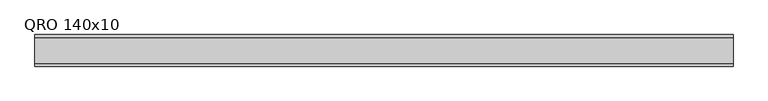
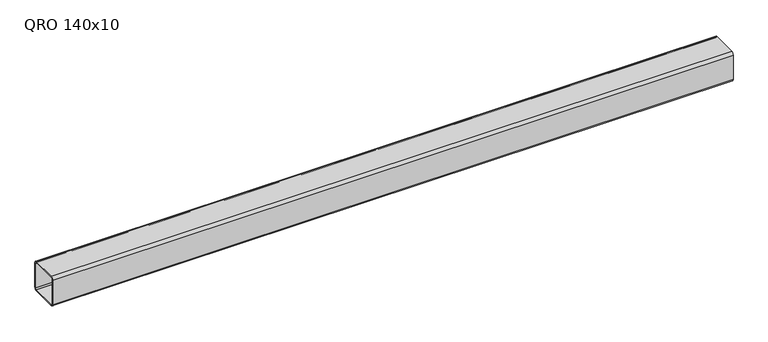
"""IFC4 building model written with IfcOpenShell, lengths in millimetres: beam geometry, QRO 140x10."""

import ifcopenshell
import ifcopenshell.guid

model = None  # the IFC model being written
_history = None  # IfcOwnerHistory: only IFC2X3 demands one
_inside = {}  # id of a spatial element -> (the spatial element, [elements in it])
_under = {}  # id of a project, library or spatial element -> (it, [spatial elements below it])
_declared = {}  # id of a project -> (the project, [libraries it declares])
_typed = {}  # id of a type object -> (the type object, [elements of that type])
_made_of = {}  # id of a material, layer set ... -> (it, [elements and type objects made of it])


def new_model(schema):
    """Start an empty IFC model of exactly this schema.

    Asked for "IFC4X3", IfcOpenShell would pick the latest addendum, in which some entities
    have other attributes; the version numbers below select the first issue.
    IFC2X3 requires an IfcOwnerHistory on every rooted entity: one is made here for all.
    """
    global model, _history
    if schema == "IFC4X3":
        model = ifcopenshell.file(schema_version=(4, 3, 0, 0))
    else:
        model = ifcopenshell.file(schema=schema)
    _inside.clear()
    _under.clear()
    _declared.clear()
    _typed.clear()
    _made_of.clear()
    _history = None
    if model.schema == "IFC2X3":
        org = make("IfcOrganization", Name="unknown")
        user = make(
            "IfcPersonAndOrganization",
            ThePerson=make("IfcPerson", FamilyName="unknown"),
            TheOrganization=org,
        )
        app = make(
            "IfcApplication",
            ApplicationDeveloper=org,
            Version="unknown",
            ApplicationFullName="unknown",
            ApplicationIdentifier="unknown",
        )
        _history = make(
            "IfcOwnerHistory",
            OwningUser=user,
            OwningApplication=app,
            ChangeAction="ADDED",
            CreationDate=0,
        )
    return model


def make(cls, **values):
    """One entity of the class cls with the attributes given. An attribute that is None is left unset."""
    return model.create_entity(
        cls, **{name: value for name, value in values.items() if value is not None}
    )


def rooted(cls, **values):
    """An entity with a GlobalId (a new one), such as an element, a storey or a relation."""
    return make(cls, GlobalId=ifcopenshell.guid.new(), OwnerHistory=_history, **values)


def si_unit(unit_type, name, prefix=None):
    """IfcSIUnit, for example si_unit("LENGTHUNIT", "METRE", prefix="MILLI")."""
    return make("IfcSIUnit", UnitType=unit_type, Prefix=prefix, Name=name)


def assignment(units):
    """IfcUnitAssignment: the units of a project."""
    return None if units is None else make("IfcUnitAssignment", Units=units)


def point(xyz):
    """IfcCartesianPoint."""
    return None if xyz is None else make("IfcCartesianPoint", Coordinates=xyz)


def direction(xyz):
    """IfcDirection."""
    return None if xyz is None else make("IfcDirection", DirectionRatios=xyz)


def frame(location, z_axis=None, x_axis=None):
    """IfcAxis2Placement3D, a coordinate frame: its origin and axes. An axis left out is left unset."""
    return make(
        "IfcAxis2Placement3D",
        Location=point(location),
        Axis=direction(z_axis),
        RefDirection=direction(x_axis),
    )


def frame_2d(location, x_axis=None):
    """IfcAxis2Placement2D, a coordinate frame in the plane: its origin and x axis."""
    return make(
        "IfcAxis2Placement2D", Location=point(location), RefDirection=direction(x_axis)
    )


def origin():
    """The frame at (0, 0, 0) with its axes left unset."""
    return frame((0.0, 0.0, 0.0))


def place(relative_to, where):
    """IfcLocalPlacement: puts the frame where relative to a parent placement (None: the world)."""
    return make(
        "IfcLocalPlacement", PlacementRelTo=relative_to, RelativePlacement=where
    )


def context(
    kind, dimensions, precision=None, world=None, true_north=None, identifier=None
):
    """IfcGeometricRepresentationContext, for example the 3D "Model" context."""
    return make(
        "IfcGeometricRepresentationContext",
        ContextIdentifier=identifier,
        ContextType=kind,
        CoordinateSpaceDimension=dimensions,
        Precision=precision,
        WorldCoordinateSystem=world,
        TrueNorth=true_north,
    )


def project(units=None, contexts=None):
    """IfcProject with its units and contexts."""
    return rooted(
        "IfcProject",
        Name="project",
        RepresentationContexts=contexts,
        UnitsInContext=assignment(units),
    )


def spatial(cls, under=None, at=None, **own):
    """A site, building, storey or space (cls), placed at a placement, below another one or the project."""
    s = rooted(cls, ObjectPlacement=at, **own)
    if under is not None:
        _under.setdefault(under.id(), (under, []))[1].append(s)
    return s


def polyline(points):
    """IfcPolyline through the points."""
    return make("IfcPolyline", Points=[point(p) for p in points])


def circle_curve(where, radius):
    """IfcCircle in the frame where."""
    return make("IfcCircle", Position=where, Radius=radius)


def trimmed(basis, trim1, trim2, sense, master):
    """IfcTrimmedCurve: the piece of a basis curve between two trims."""
    return make(
        "IfcTrimmedCurve",
        BasisCurve=basis,
        Trim1=trim1,
        Trim2=trim2,
        SenseAgreement=sense,
        MasterRepresentation=master,
    )


def segment(curve, same_sense, transition):
    """IfcCompositeCurveSegment."""
    return make(
        "IfcCompositeCurveSegment",
        Transition=transition,
        SameSense=same_sense,
        ParentCurve=curve,
    )


def composite_curve(segments, self_intersect=None):
    """IfcCompositeCurve: segments joined end to end."""
    return make("IfcCompositeCurve", Segments=segments, SelfIntersect=self_intersect)


def outline(outer, holes=None, kind="AREA"):
    """IfcArbitraryClosedProfileDef: a profile drawn as a closed curve; with holes, ...WithVoids."""
    if holes is None:
        return make("IfcArbitraryClosedProfileDef", ProfileType=kind, OuterCurve=outer)
    return make(
        "IfcArbitraryProfileDefWithVoids",
        ProfileType=kind,
        OuterCurve=outer,
        InnerCurves=holes,
    )


def extrude(swept, where, along, depth):
    """IfcExtrudedAreaSolid: the profile swept, set in the frame where, extruded along a direction by depth."""
    return make(
        "IfcExtrudedAreaSolid",
        SweptArea=swept,
        Position=where,
        ExtrudedDirection=direction(along),
        Depth=depth,
    )


def shape(context_of_items, identifier, shape_type, items):
    """IfcShapeRepresentation: the items that make up one representation, for example the "Body"."""
    return make(
        "IfcShapeRepresentation",
        ContextOfItems=context_of_items,
        RepresentationIdentifier=identifier,
        RepresentationType=shape_type,
        Items=items,
    )


def source(mapping_origin, context_of_items, identifier, shape_type, items):
    """IfcRepresentationMap: a shape defined once, which mapped items show again and again."""
    return make(
        "IfcRepresentationMap",
        MappingOrigin=mapping_origin,
        MappedRepresentation=shape(context_of_items, identifier, shape_type, items),
    )


def transform(
    local_origin,
    x_axis=None,
    y_axis=None,
    z_axis=None,
    scale=None,
    scale2=None,
    scale3=None,
    uniform=True,
):
    """IfcCartesianTransformationOperator3D, or its non-uniform kind. x_axis, y_axis, z_axis: its Axis1, 2, 3."""
    if uniform:
        return make(
            "IfcCartesianTransformationOperator3D",
            Axis1=direction(x_axis),
            Axis2=direction(y_axis),
            LocalOrigin=point(local_origin),
            Scale=scale,
            Axis3=direction(z_axis),
        )
    return make(
        "IfcCartesianTransformationOperator3DnonUniform",
        Axis1=direction(x_axis),
        Axis2=direction(y_axis),
        LocalOrigin=point(local_origin),
        Scale=scale,
        Axis3=direction(z_axis),
        Scale2=scale2,
        Scale3=scale3,
    )


def mapped(mapping_source, mapping_target):
    """IfcMappedItem: shows the shape of a source again, moved by a transform."""
    return make(
        "IfcMappedItem", MappingSource=mapping_source, MappingTarget=mapping_target
    )


def made_of(thing, what):
    """Note that an element or type object is made of a material, layer set ...; save() writes the relation."""
    if what is not None:
        _made_of.setdefault(what.id(), (what, []))[1].append(thing)
    return thing


def element(
    cls,
    number,
    at=None,
    inside=None,
    cuts=None,
    type_object=None,
    material=None,
    context=None,
    identifier="Body",
    shape_type=None,
    held_by="IfcProductDefinitionShape",
    body=None,
    shapes=None,
    **own,
):
    """One element of the class cls, such as IfcWall. Its Tag is "e" and its number.

    at: its placement. inside: the storey or other place that contains it. cuts: it is an
    opening in that element (IfcRelVoidsElement). A single representation is given by context,
    identifier, shape_type and body (its items); several are given by shapes. held_by: the class
    of the entity that holds the representations. save() writes the other relations.
    """
    e = rooted(cls, Tag="e%d" % number, ObjectPlacement=at, **own)
    if body is not None:
        shapes = [shape(context, identifier, shape_type, body)]
    if shapes is not None:
        e.Representation = make(held_by, Representations=shapes)
    if inside is not None:
        _inside.setdefault(inside.id(), (inside, []))[1].append(e)
    if cuts is not None:
        rooted(
            "IfcRelVoidsElement", RelatingBuildingElement=cuts, RelatedOpeningElement=e
        )
    if type_object is not None:
        _typed.setdefault(type_object.id(), (type_object, []))[1].append(e)
    return made_of(e, material)


def aggregate(whole, parts):
    """IfcRelAggregates: a whole, such as a stair, and the parts it consists of."""
    return rooted("IfcRelAggregates", RelatingObject=whole, RelatedObjects=parts)


def save(model, path):
    """Write the relations noted so far, then the file.

    IfcRelAggregates (storeys below a building ...), IfcRelContainedInSpatialStructure (elements
    in a storey), IfcRelDefinesByType, IfcRelAssociatesMaterial and IfcRelDeclares: one each for
    every whole, place, type object, material and project.
    """
    for whole, parts in _under.values():
        aggregate(whole, parts)
    for where, things in _inside.values():
        rooted(
            "IfcRelContainedInSpatialStructure",
            RelatedElements=things,
            RelatingStructure=where,
        )
    for kind, things in _typed.values():
        rooted("IfcRelDefinesByType", RelatedObjects=things, RelatingType=kind)
    for what, things in _made_of.values():
        rooted("IfcRelAssociatesMaterial", RelatedObjects=things, RelatingMaterial=what)
    for by, libraries in _declared.values():
        rooted("IfcRelDeclares", RelatingContext=by, RelatedDefinitions=libraries)
    model.write(path)


def qro_140x10_6534f039(model_context):
    return source(origin(), model_context, "Body", "SweptSolid", [
        extrude(outline(composite_curve([segment(polyline([(70.0, 58.0), (70.0, -58.0)]), True, "CONTINUOUS"), segment(trimmed(circle_curve(frame_2d((58.0, -58.0)), 12.0), [point((70.0, -58.0))], [point((58.0, -70.0))], False, "CARTESIAN"), True, "CONTINUOUS"), segment(polyline([(58.0, -70.0), (-58.0, -70.0)]), True, "CONTINUOUS"), segment(trimmed(circle_curve(frame_2d((-58.0, -58.0)), 12.0), [point((-58.0, -70.0))], [point((-70.0, -58.0))], False, "CARTESIAN"), True, "CONTINUOUS"), segment(polyline([(-70.0, -58.0), (-70.0, 58.0)]), True, "CONTINUOUS"), segment(trimmed(circle_curve(frame_2d((-58.0, 58.0)), 12.0), [point((-70.0, 58.0))], [point((-58.0, 70.0))], False, "CARTESIAN"), True, "CONTINUOUS"), segment(polyline([(-58.0, 70.0), (58.0, 70.0)]), True, "CONTINUOUS"), segment(trimmed(circle_curve(frame_2d((58.0, 58.0)), 12.0), [point((58.0, 70.0))], [point((70.0, 58.0))], False, "CARTESIAN"), True, "CONTINUOUS")], self_intersect=False), holes=[composite_curve([segment(trimmed(circle_curve(frame_2d((-58.0, 58.0)), 6.0), [point((-58.0, 64.0))], [point((-64.0, 58.0))], True, "CARTESIAN"), True, "CONTINUOUS"), segment(polyline([(-64.0, 58.0), (-64.0, -58.0)]), True, "CONTINUOUS"), segment(trimmed(circle_curve(frame_2d((-58.0, -58.0)), 6.0), [point((-64.0, -58.0))], [point((-58.0, -64.0))], True, "CARTESIAN"), True, "CONTINUOUS"), segment(polyline([(-58.0, -64.0), (58.0, -64.0)]), True, "CONTINUOUS"), segment(trimmed(circle_curve(frame_2d((58.0, -58.0)), 6.0), [point((58.0, -64.0))], [point((64.0, -58.0))], True, "CARTESIAN"), True, "CONTINUOUS"), segment(polyline([(64.0, -58.0), (64.0, 58.0)]), True, "CONTINUOUS"), segment(trimmed(circle_curve(frame_2d((58.0, 58.0)), 6.0), [point((64.0, 58.0))], [point((58.0, 64.0))], True, "CARTESIAN"), True, "CONTINUOUS"), segment(polyline([(58.0, 64.0), (-58.0, 64.0)]), True, "CONTINUOUS")], self_intersect=False)]), frame((-1527.2191368, 0.0, 0.0), z_axis=(1.0, 0.0, 0.0), x_axis=(0.0, 1.0, 0.0)), (0.0, 0.0, 1.0), 3089.1331962),
    ])


if __name__ == "__main__":
    model = new_model("IFC4")
    model_context = context("Model", 3, world=origin())
    ifc_project = project(units=[si_unit("LENGTHUNIT", "METRE", prefix="MILLI")], contexts=[model_context])
    site = spatial("IfcSite", under=ifc_project)
    building = spatial("IfcBuilding", under=site)
    placement = place(None, origin())
    qro_140x10_shape = qro_140x10_6534f039(model_context)
    element("IfcBeam", 1, ObjectType="QRO 140x10", at=placement, inside=building, context=model_context, shape_type="MappedRepresentation", body=[
        mapped(qro_140x10_shape, transform((0.0, 0.0, 0.0), x_axis=(1.0, 0.0, 0.0), y_axis=(0.0, 1.0, 0.0), z_axis=(0.0, 0.0, 1.0))),
    ])
    save(model, "model.ifc")
